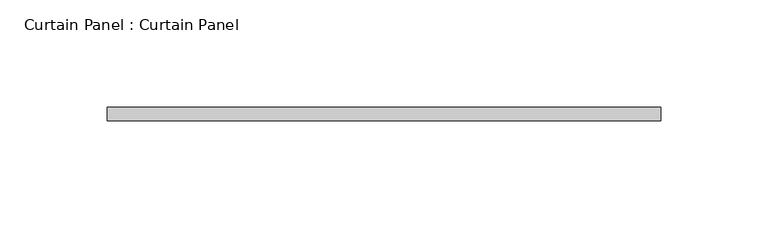
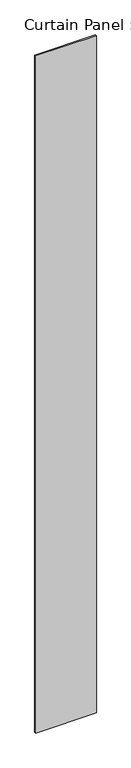
"""IFC4 building model written with IfcOpenShell, lengths in millimetres: plate geometry, Curtain Panel : Curtain Panel."""

from ifc_helpers import new_model, si_unit, origin, origin_with_axes, place, context, project, spatial, polyline, outline, extrude, source, transform, mapped, element, save


def curtain_panel_curtain_panel_fca7c57f(model_context):
    return source(origin(), model_context, "Body", "SweptSolid", [
        extrude(outline(polyline([(346464.1159445, 1485.4074888), (346722.8784445, 1485.4074888), (346722.8784445, 1479.0574888), (346464.1159445, 1479.0574888), (346464.1159445, 1485.4074888)])), origin_with_axes(), (0.0, 0.0, 1.0), 3048.0),
    ])


if __name__ == "__main__":
    model = new_model("IFC4")
    model_context = context("Model", 3, world=origin())
    ifc_project = project(units=[si_unit("LENGTHUNIT", "METRE", prefix="MILLI")], contexts=[model_context])
    site = spatial("IfcSite", under=ifc_project)
    building = spatial("IfcBuilding", under=site)
    placement = place(None, origin())
    curtain_panel_curtain_panel_shape = curtain_panel_curtain_panel_fca7c57f(model_context)
    element("IfcPlate", 1, ObjectType="Curtain Panel : Curtain Panel", at=placement, inside=building, context=model_context, shape_type="MappedRepresentation", body=[
        mapped(curtain_panel_curtain_panel_shape, transform((0.0, 0.0, 0.0), x_axis=(1.0, 0.0, 0.0), y_axis=(0.0, 1.0, 0.0), z_axis=(0.0, 0.0, 1.0))),
    ])
    save(model, "model.ifc")
